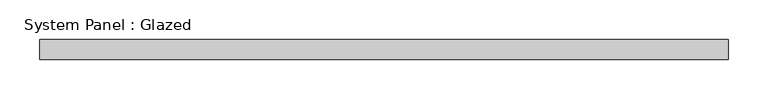
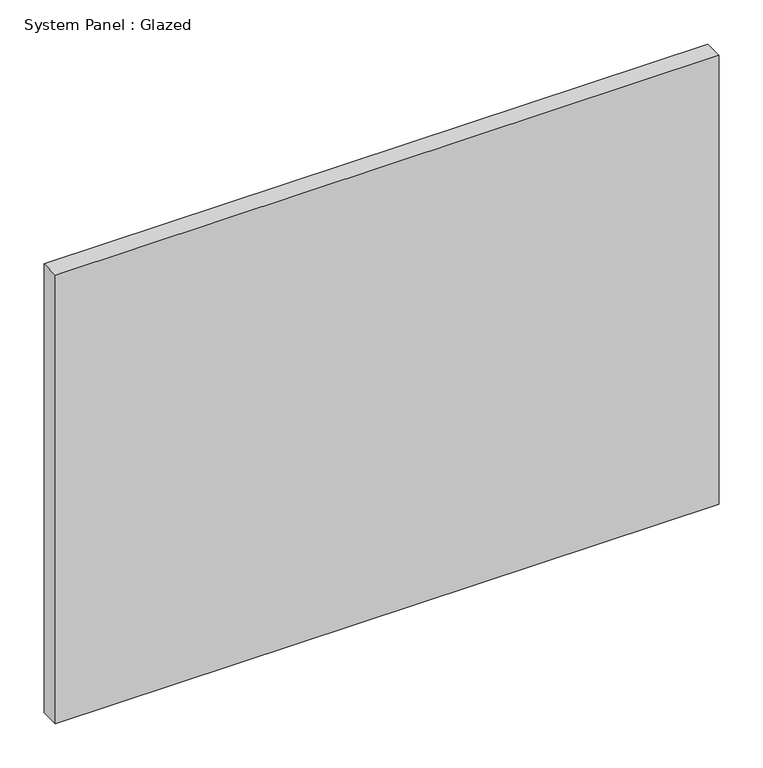
"""IFC4 building model written with IfcOpenShell, lengths in millimetres: plate geometry, System Panel : Glazed."""

from ifc_helpers import new_model, si_unit, origin, origin_with_axes, place, context, project, spatial, polyline, outline, extrude, source, transform, mapped, element, save


def system_panel_glazed_4d55f726(model_context):
    return source(origin(), model_context, "Body", "SweptSolid", [
        extrude(outline(polyline([(435.3395835, 19.05), (-435.3395835, 19.05), (-435.3395835, 44.45), (435.3395835, 44.45), (435.3395835, 19.05)])), origin_with_axes(), (0.0, 0.0, 1.0), 622.3),
    ])


if __name__ == "__main__":
    model = new_model("IFC4")
    model_context = context("Model", 3, world=origin())
    ifc_project = project(units=[si_unit("LENGTHUNIT", "METRE", prefix="MILLI")], contexts=[model_context])
    site = spatial("IfcSite", under=ifc_project)
    building = spatial("IfcBuilding", under=site)
    placement = place(None, origin())
    system_panel_glazed_shape = system_panel_glazed_4d55f726(model_context)
    element("IfcPlate", 1, ObjectType="System Panel : Glazed", at=placement, inside=building, context=model_context, shape_type="MappedRepresentation", body=[
        mapped(system_panel_glazed_shape, transform((0.0, 0.0, 0.0), x_axis=(1.0, 0.0, 0.0), y_axis=(0.0, 1.0, 0.0), z_axis=(0.0, 0.0, 1.0))),
    ])
    save(model, "model.ifc")
